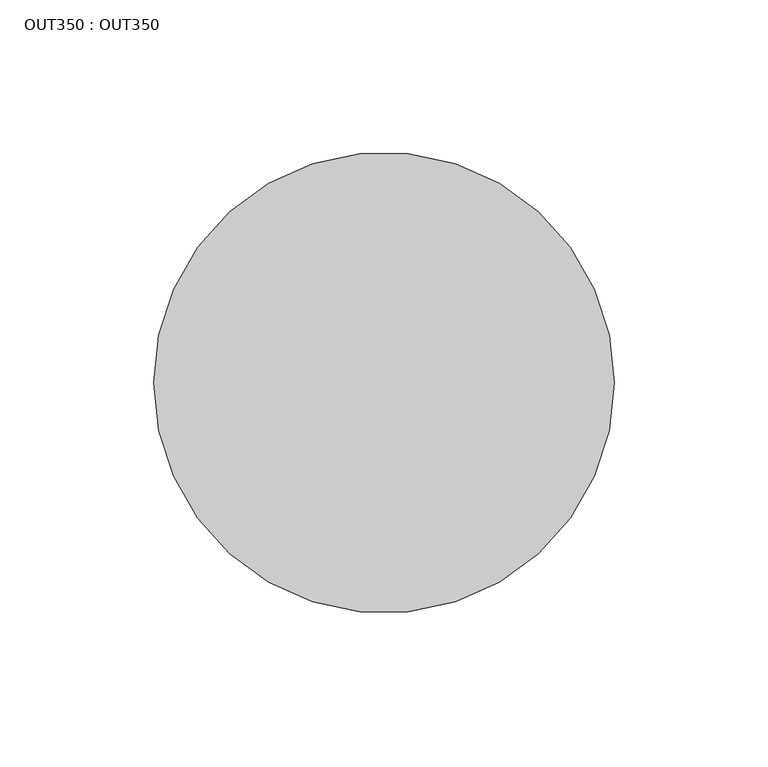
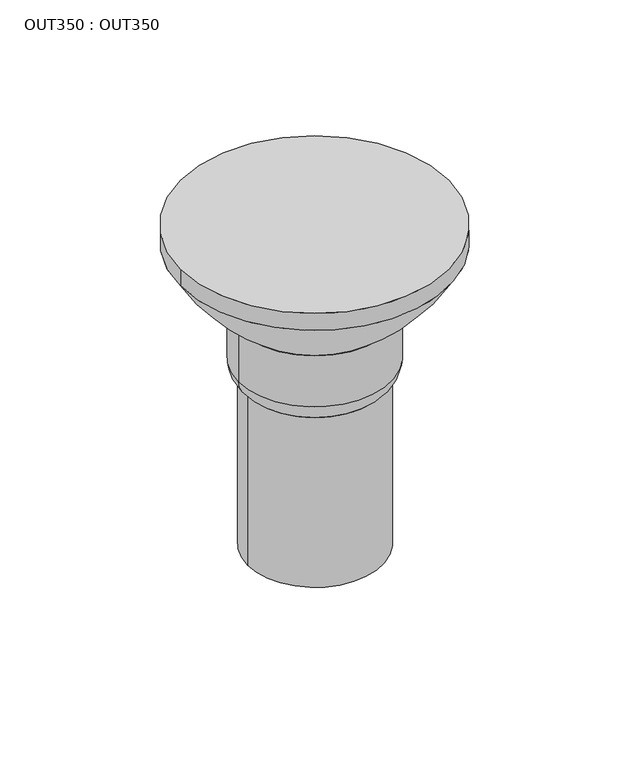
"""IFC4 building model written with IfcOpenShell, lengths in millimetres: proxy geometry, OUT350 : OUT350."""

from ifc_helpers import new_model, si_unit, point, frame, frame_2d, origin, origin_2d, place, context, project, spatial, circle_curve, ellipse_curve, trimmed, segment, composite_curve, outline, extrude, source, transform, mapped, element, save
from ifc_brep_helpers import plane_surface, revolved_surface, advanced_brep


def out350_out350_780f8524(model_context):
    return source(origin(), model_context, "Body", "SolidModel", [
        extrude(outline(composite_curve([segment(trimmed(circle_curve(frame_2d((0.2020862, 0.0)), 37.5000003), [point((-37.2979141, 0.0))], [point((37.7020865, 0.0))], False, "CARTESIAN"), True, "CONTINUOUS"), segment(trimmed(circle_curve(frame_2d((0.2020862, 0.0)), 37.5000003), [point((37.7020865, 0.0))], [point((-37.2979141, 0.0))], False, "CARTESIAN"), True, "CONTINUOUS")], self_intersect=False)), frame((0.0, 0.0, -184.6199977), z_axis=(0.0, 0.0, 1.0), x_axis=(1.0, 0.0, 0.0)), (0.0, 0.0, 1.0), 100.0000008),
        extrude(outline(composite_curve([segment(trimmed(circle_curve(origin_2d(), 42.4730546), [point((-42.4730546, 0.0))], [point((42.4730546, 0.0))], False, "CARTESIAN"), True, "CONTINUOUS"), segment(trimmed(circle_curve(origin_2d(), 42.4730546), [point((42.4730546, 0.0))], [point((-42.4730546, 0.0))], False, "CARTESIAN"), True, "CONTINUOUS")], self_intersect=False)), frame((0.0, 0.0, -74.6199987), z_axis=(0.0, 0.0, 1.0), x_axis=(1.0, 0.0, 0.0)), (0.0, 0.0, 1.0), 29.9999993),
        advanced_brep(
        [(42.2979132, 0.0, -74.6199987), (0.0, 0.0, -74.6199987), (-42.2979132, 0.0, -74.6199987), (37.2979141, 0.0, -84.619997), (-37.2979141, 0.0, -84.619997), (0.0, 0.0, -84.619997)],
        [
            (0, 1),
            (1, 2),
            (2, 0, circle_curve(frame((0.0, 0.0, -74.6199987), z_axis=(0.0, 0.0, 1.0), x_axis=(-1.0, 0.0, 0.0)), 42.2979132)),
            (0, 2, circle_curve(frame((0.0, 0.0, -74.6199987), z_axis=(0.0, 0.0, 1.0), x_axis=(-1.0, 0.0, 0.0)), 42.2979132)),
            (3, 0, circle_curve(frame((30.6555332, 0.0, -75.0488077), z_axis=(0.0, -1.0, 0.0), x_axis=(-1.0, 0.0, 0.0)), 11.6502742)),
            (2, 4, circle_curve(frame((-30.6555332, 0.0, -75.0488077), z_axis=(0.0, -1.0, 0.0), x_axis=(1.0, 0.0, 0.0)), 11.6502742)),
            (4, 3, circle_curve(frame((0.0, 0.0, -84.619997), z_axis=(0.0, 0.0, 1.0), x_axis=(-1.0, 0.0, 0.0)), 37.2979141)),
            (3, 4, circle_curve(frame((0.0, 0.0, -84.619997), z_axis=(0.0, 0.0, 1.0), x_axis=(-1.0, 0.0, 0.0)), 37.2979141)),
            (5, 3),
            (4, 5),
        ],
        [
            plane_surface(frame((0.0, 0.0, -74.6199987), z_axis=(0.0, 0.0, 1.0), x_axis=(-1.0, 0.0, 0.0))),
            revolved_surface(trimmed(ellipse_curve(frame((-30.6555332, 0.0, -75.0488077), z_axis=(0.0, -1.0, 0.0), x_axis=(1.0, 0.0, 0.0)), 11.6502742, 11.6502742), [point((-42.2979132, 0.0, -74.6199987))], [point((-37.2979141, 0.0, -84.619997))], True, "CARTESIAN"), (0.0, 0.0, 2214.3150031), (0.0, 0.0, -1.0)),
            plane_surface(frame((0.0, 0.0, -84.619997), z_axis=(0.0, 0.0, -1.0), x_axis=(-1.0, 0.0, 0.0))),
        ],
        [
            (0, [[1, 2, 3]]),
            (0, [[-2, -1, 4]]),
            (1, [[5, -3, 6, 7]]),
            (1, [[-6, -4, -5, 8]]),
            (2, [[9, -7, 10]]),
            (2, [[-10, -8, -9]]),
        ],
    ),
        extrude(outline(composite_curve([segment(trimmed(circle_curve(origin_2d(), 74.7979144), [point((-74.7979144, 0.0))], [point((74.7979144, 0.0))], False, "CARTESIAN"), True, "CONTINUOUS"), segment(trimmed(circle_curve(origin_2d(), 74.7979144), [point((74.7979144, 0.0))], [point((-74.7979144, 0.0))], False, "CARTESIAN"), True, "CONTINUOUS")], self_intersect=False)), frame((0.0, 0.0, -7.0000005), z_axis=(0.0, 0.0, 1.0), x_axis=(1.0, 0.0, 0.0)), (0.0, 0.0, 1.0), 10.0000005),
        advanced_brep(
        [(74.7979144, 0.0, -7.0000005), (0.0, 0.0, -7.0000005), (-74.7979144, 0.0, -7.0000005), (42.4730546, 0.0, -44.4172665), (-42.4730546, 0.0, -44.4172665), (0.0, 0.0, -44.4172665)],
        [
            (0, 1),
            (1, 2),
            (2, 0, circle_curve(frame((0.0, 0.0, -7.0000005), z_axis=(0.0, 0.0, 1.0), x_axis=(-1.0, 0.0, 0.0)), 74.7979144)),
            (0, 2, circle_curve(frame((0.0, 0.0, -7.0000005), z_axis=(0.0, 0.0, 1.0), x_axis=(-1.0, 0.0, 0.0)), 74.7979144)),
            (3, 0, circle_curve(frame((-25.5831475, 0.0, 47.048031), z_axis=(0.0, -1.0, 0.0), x_axis=(-1.0, 0.0, 0.0)), 114.0067862)),
            (2, 4, circle_curve(frame((25.5831475, 0.0, 47.048031), z_axis=(0.0, -1.0, 0.0), x_axis=(1.0, 0.0, 0.0)), 114.0067862)),
            (4, 3, circle_curve(frame((0.0, 0.0, -44.4172665), z_axis=(0.0, 0.0, 1.0), x_axis=(-1.0, 0.0, 0.0)), 42.4730546)),
            (3, 4, circle_curve(frame((0.0, 0.0, -44.4172665), z_axis=(0.0, 0.0, 1.0), x_axis=(-1.0, 0.0, 0.0)), 42.4730546)),
            (5, 3),
            (4, 5),
        ],
        [
            plane_surface(frame((0.0, 0.0, -7.0000005), z_axis=(0.0, 0.0, 1.0), x_axis=(-1.0, 0.0, 0.0))),
            revolved_surface(trimmed(ellipse_curve(frame((25.5831475, 0.0, 47.048031), z_axis=(0.0, -1.0, 0.0), x_axis=(1.0, 0.0, 0.0)), 114.0067862, 114.0067862), [point((-74.7979144, 0.0, -7.0000005))], [point((-42.4730546, 0.0, -44.4172665))], True, "CARTESIAN"), (0.0, 0.0, 2214.3150031), (0.0, 0.0, -1.0)),
            plane_surface(frame((0.0, 0.0, -44.4172665), z_axis=(0.0, 0.0, -1.0), x_axis=(-1.0, 0.0, 0.0))),
        ],
        [
            (0, [[1, 2, 3]]),
            (0, [[-2, -1, 4]]),
            (1, [[5, -3, 6, 7]]),
            (1, [[-6, -4, -5, 8]]),
            (2, [[9, -7, 10]]),
            (2, [[-10, -8, -9]]),
        ],
    ),
    ])


if __name__ == "__main__":
    model = new_model("IFC4")
    model_context = context("Model", 3, world=origin())
    ifc_project = project(units=[si_unit("LENGTHUNIT", "METRE", prefix="MILLI")], contexts=[model_context])
    site = spatial("IfcSite", under=ifc_project)
    building = spatial("IfcBuilding", under=site)
    placement = place(None, origin())
    out350_out350_shape = out350_out350_780f8524(model_context)
    element("IfcBuildingElementProxy", 1, Name="OUT350 : OUT350", ObjectType="OUT350 : OUT350", at=placement, inside=building, context=model_context, shape_type="MappedRepresentation", body=[
        mapped(out350_out350_shape, transform((0.0, 0.0, 0.0), x_axis=(1.0, 0.0, 0.0), y_axis=(0.0, 1.0, 0.0), z_axis=(0.0, 0.0, 1.0))),
    ])
    save(model, "model.ifc")
